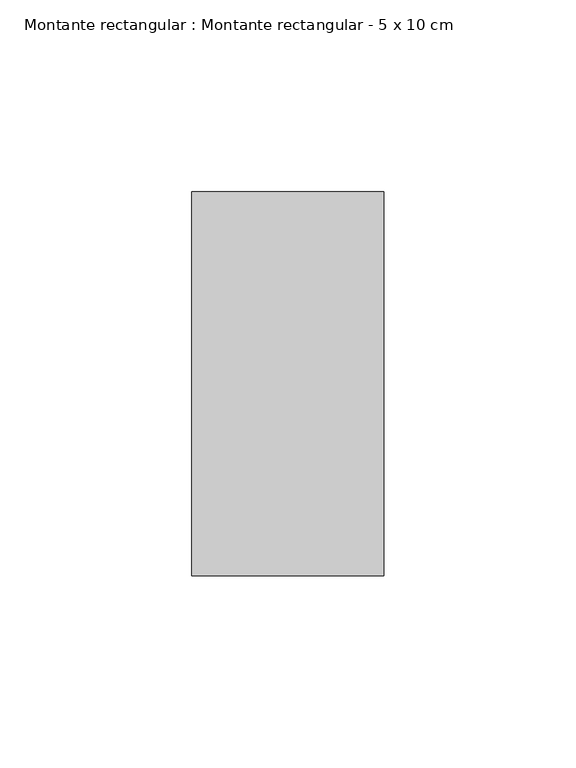
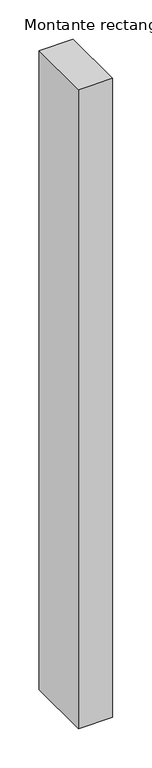
"""IFC4 building model written with IfcOpenShell, lengths in millimetres: member geometry, Montante rectangular : Montante rectangular - 5 x 10 cm."""

import ifcopenshell
import ifcopenshell.guid

model = None  # the IFC model being written
_history = None  # IfcOwnerHistory: only IFC2X3 demands one
_inside = {}  # id of a spatial element -> (the spatial element, [elements in it])
_under = {}  # id of a project, library or spatial element -> (it, [spatial elements below it])
_declared = {}  # id of a project -> (the project, [libraries it declares])
_typed = {}  # id of a type object -> (the type object, [elements of that type])
_made_of = {}  # id of a material, layer set ... -> (it, [elements and type objects made of it])


def new_model(schema):
    """Start an empty IFC model of exactly this schema.

    Asked for "IFC4X3", IfcOpenShell would pick the latest addendum, in which some entities
    have other attributes; the version numbers below select the first issue.
    IFC2X3 requires an IfcOwnerHistory on every rooted entity: one is made here for all.
    """
    global model, _history
    if schema == "IFC4X3":
        model = ifcopenshell.file(schema_version=(4, 3, 0, 0))
    else:
        model = ifcopenshell.file(schema=schema)
    _inside.clear()
    _under.clear()
    _declared.clear()
    _typed.clear()
    _made_of.clear()
    _history = None
    if model.schema == "IFC2X3":
        org = make("IfcOrganization", Name="unknown")
        user = make(
            "IfcPersonAndOrganization",
            ThePerson=make("IfcPerson", FamilyName="unknown"),
            TheOrganization=org,
        )
        app = make(
            "IfcApplication",
            ApplicationDeveloper=org,
            Version="unknown",
            ApplicationFullName="unknown",
            ApplicationIdentifier="unknown",
        )
        _history = make(
            "IfcOwnerHistory",
            OwningUser=user,
            OwningApplication=app,
            ChangeAction="ADDED",
            CreationDate=0,
        )
    return model


def make(cls, **values):
    """One entity of the class cls with the attributes given. An attribute that is None is left unset."""
    return model.create_entity(
        cls, **{name: value for name, value in values.items() if value is not None}
    )


def rooted(cls, **values):
    """An entity with a GlobalId (a new one), such as an element, a storey or a relation."""
    return make(cls, GlobalId=ifcopenshell.guid.new(), OwnerHistory=_history, **values)


def si_unit(unit_type, name, prefix=None):
    """IfcSIUnit, for example si_unit("LENGTHUNIT", "METRE", prefix="MILLI")."""
    return make("IfcSIUnit", UnitType=unit_type, Prefix=prefix, Name=name)


def assignment(units):
    """IfcUnitAssignment: the units of a project."""
    return None if units is None else make("IfcUnitAssignment", Units=units)


def point(xyz):
    """IfcCartesianPoint."""
    return None if xyz is None else make("IfcCartesianPoint", Coordinates=xyz)


def direction(xyz):
    """IfcDirection."""
    return None if xyz is None else make("IfcDirection", DirectionRatios=xyz)


def frame(location, z_axis=None, x_axis=None):
    """IfcAxis2Placement3D, a coordinate frame: its origin and axes. An axis left out is left unset."""
    return make(
        "IfcAxis2Placement3D",
        Location=point(location),
        Axis=direction(z_axis),
        RefDirection=direction(x_axis),
    )


def origin():
    """The frame at (0, 0, 0) with its axes left unset."""
    return frame((0.0, 0.0, 0.0))


def place(relative_to, where):
    """IfcLocalPlacement: puts the frame where relative to a parent placement (None: the world)."""
    return make(
        "IfcLocalPlacement", PlacementRelTo=relative_to, RelativePlacement=where
    )


def context(
    kind, dimensions, precision=None, world=None, true_north=None, identifier=None
):
    """IfcGeometricRepresentationContext, for example the 3D "Model" context."""
    return make(
        "IfcGeometricRepresentationContext",
        ContextIdentifier=identifier,
        ContextType=kind,
        CoordinateSpaceDimension=dimensions,
        Precision=precision,
        WorldCoordinateSystem=world,
        TrueNorth=true_north,
    )


def project(units=None, contexts=None):
    """IfcProject with its units and contexts."""
    return rooted(
        "IfcProject",
        Name="project",
        RepresentationContexts=contexts,
        UnitsInContext=assignment(units),
    )


def spatial(cls, under=None, at=None, **own):
    """A site, building, storey or space (cls), placed at a placement, below another one or the project."""
    s = rooted(cls, ObjectPlacement=at, **own)
    if under is not None:
        _under.setdefault(under.id(), (under, []))[1].append(s)
    return s


def polyline(points):
    """IfcPolyline through the points."""
    return make("IfcPolyline", Points=[point(p) for p in points])


def outline(outer, holes=None, kind="AREA"):
    """IfcArbitraryClosedProfileDef: a profile drawn as a closed curve; with holes, ...WithVoids."""
    if holes is None:
        return make("IfcArbitraryClosedProfileDef", ProfileType=kind, OuterCurve=outer)
    return make(
        "IfcArbitraryProfileDefWithVoids",
        ProfileType=kind,
        OuterCurve=outer,
        InnerCurves=holes,
    )


def extrude(swept, where, along, depth):
    """IfcExtrudedAreaSolid: the profile swept, set in the frame where, extruded along a direction by depth."""
    return make(
        "IfcExtrudedAreaSolid",
        SweptArea=swept,
        Position=where,
        ExtrudedDirection=direction(along),
        Depth=depth,
    )


def shape(context_of_items, identifier, shape_type, items):
    """IfcShapeRepresentation: the items that make up one representation, for example the "Body"."""
    return make(
        "IfcShapeRepresentation",
        ContextOfItems=context_of_items,
        RepresentationIdentifier=identifier,
        RepresentationType=shape_type,
        Items=items,
    )


def source(mapping_origin, context_of_items, identifier, shape_type, items):
    """IfcRepresentationMap: a shape defined once, which mapped items show again and again."""
    return make(
        "IfcRepresentationMap",
        MappingOrigin=mapping_origin,
        MappedRepresentation=shape(context_of_items, identifier, shape_type, items),
    )


def transform(
    local_origin,
    x_axis=None,
    y_axis=None,
    z_axis=None,
    scale=None,
    scale2=None,
    scale3=None,
    uniform=True,
):
    """IfcCartesianTransformationOperator3D, or its non-uniform kind. x_axis, y_axis, z_axis: its Axis1, 2, 3."""
    if uniform:
        return make(
            "IfcCartesianTransformationOperator3D",
            Axis1=direction(x_axis),
            Axis2=direction(y_axis),
            LocalOrigin=point(local_origin),
            Scale=scale,
            Axis3=direction(z_axis),
        )
    return make(
        "IfcCartesianTransformationOperator3DnonUniform",
        Axis1=direction(x_axis),
        Axis2=direction(y_axis),
        LocalOrigin=point(local_origin),
        Scale=scale,
        Axis3=direction(z_axis),
        Scale2=scale2,
        Scale3=scale3,
    )


def mapped(mapping_source, mapping_target):
    """IfcMappedItem: shows the shape of a source again, moved by a transform."""
    return make(
        "IfcMappedItem", MappingSource=mapping_source, MappingTarget=mapping_target
    )


def made_of(thing, what):
    """Note that an element or type object is made of a material, layer set ...; save() writes the relation."""
    if what is not None:
        _made_of.setdefault(what.id(), (what, []))[1].append(thing)
    return thing


def element(
    cls,
    number,
    at=None,
    inside=None,
    cuts=None,
    type_object=None,
    material=None,
    context=None,
    identifier="Body",
    shape_type=None,
    held_by="IfcProductDefinitionShape",
    body=None,
    shapes=None,
    **own,
):
    """One element of the class cls, such as IfcWall. Its Tag is "e" and its number.

    at: its placement. inside: the storey or other place that contains it. cuts: it is an
    opening in that element (IfcRelVoidsElement). A single representation is given by context,
    identifier, shape_type and body (its items); several are given by shapes. held_by: the class
    of the entity that holds the representations. save() writes the other relations.
    """
    e = rooted(cls, Tag="e%d" % number, ObjectPlacement=at, **own)
    if body is not None:
        shapes = [shape(context, identifier, shape_type, body)]
    if shapes is not None:
        e.Representation = make(held_by, Representations=shapes)
    if inside is not None:
        _inside.setdefault(inside.id(), (inside, []))[1].append(e)
    if cuts is not None:
        rooted(
            "IfcRelVoidsElement", RelatingBuildingElement=cuts, RelatedOpeningElement=e
        )
    if type_object is not None:
        _typed.setdefault(type_object.id(), (type_object, []))[1].append(e)
    return made_of(e, material)


def aggregate(whole, parts):
    """IfcRelAggregates: a whole, such as a stair, and the parts it consists of."""
    return rooted("IfcRelAggregates", RelatingObject=whole, RelatedObjects=parts)


def save(model, path):
    """Write the relations noted so far, then the file.

    IfcRelAggregates (storeys below a building ...), IfcRelContainedInSpatialStructure (elements
    in a storey), IfcRelDefinesByType, IfcRelAssociatesMaterial and IfcRelDeclares: one each for
    every whole, place, type object, material and project.
    """
    for whole, parts in _under.values():
        aggregate(whole, parts)
    for where, things in _inside.values():
        rooted(
            "IfcRelContainedInSpatialStructure",
            RelatedElements=things,
            RelatingStructure=where,
        )
    for kind, things in _typed.values():
        rooted("IfcRelDefinesByType", RelatedObjects=things, RelatingType=kind)
    for what, things in _made_of.values():
        rooted("IfcRelAssociatesMaterial", RelatedObjects=things, RelatingMaterial=what)
    for by, libraries in _declared.values():
        rooted("IfcRelDeclares", RelatingContext=by, RelatedDefinitions=libraries)
    model.write(path)


def montante_rectangular_montante_rectangular_5_x_10_cm_c7455947(model_context):
    return source(origin(), model_context, "Body", "SweptSolid", [
        extrude(outline(polyline([(-50.0, 50.0), (0.0, 50.0), (0.0, -50.0), (-50.0, -50.0), (-50.0, 50.0)])), frame((0.0, 0.0, -991.0655331), z_axis=(0.0, 0.0, 1.0), x_axis=(1.0, 0.0, 0.0)), (0.0, 0.0, 1.0), 991.0655331),
    ])


if __name__ == "__main__":
    model = new_model("IFC4")
    model_context = context("Model", 3, world=origin())
    ifc_project = project(units=[si_unit("LENGTHUNIT", "METRE", prefix="MILLI")], contexts=[model_context])
    site = spatial("IfcSite", under=ifc_project)
    building = spatial("IfcBuilding", under=site)
    placement = place(None, origin())
    montante_rectangular_montante_rectangular_5_x_10_cm_shape = montante_rectangular_montante_rectangular_5_x_10_cm_c7455947(model_context)
    element("IfcMember", 1, ObjectType="Montante rectangular : Montante rectangular - 5 x 10 cm", at=placement, inside=building, context=model_context, shape_type="MappedRepresentation", body=[
        mapped(montante_rectangular_montante_rectangular_5_x_10_cm_shape, transform((0.0, 0.0, 0.0), x_axis=(1.0, 0.0, 0.0), y_axis=(0.0, 1.0, 0.0), z_axis=(0.0, 0.0, 1.0))),
    ])
    save(model, "model.ifc")
